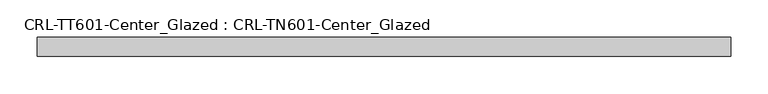
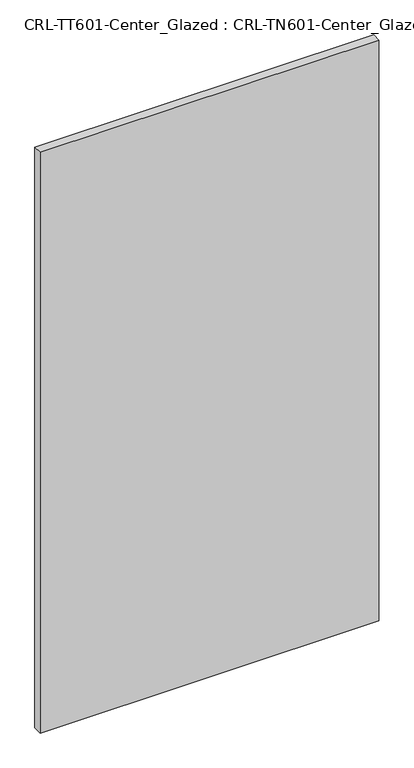
"""IFC4 building model written with IfcOpenShell, lengths in millimetres: plate geometry, CRL-TT601-Center_Glazed : CRL-TN601-Center_Glazed."""

from ifc_helpers import new_model, si_unit, origin, origin_with_axes, place, context, project, spatial, polyline, outline, extrude, source, transform, mapped, element, save


def crl_tt601_center_glazed_crl_tn601_center_glazed_176fbddd(model_context):
    return source(origin(), model_context, "Body", "SweptSolid", [
        extrude(outline(polyline([(-463.55, -12.7254), (-463.55, 12.6746), (463.55, 12.6746), (463.55, -12.7254), (-463.55, -12.7254)])), origin_with_axes(), (0.0, 0.0, 1.0), 1680.6127438),
    ])


if __name__ == "__main__":
    model = new_model("IFC4")
    model_context = context("Model", 3, world=origin())
    ifc_project = project(units=[si_unit("LENGTHUNIT", "METRE", prefix="MILLI")], contexts=[model_context])
    site = spatial("IfcSite", under=ifc_project)
    building = spatial("IfcBuilding", under=site)
    placement = place(None, origin())
    crl_tt601_center_glazed_crl_tn601_center_glazed_shape = crl_tt601_center_glazed_crl_tn601_center_glazed_176fbddd(model_context)
    element("IfcPlate", 1, ObjectType="CRL-TT601-Center_Glazed : CRL-TN601-Center_Glazed", at=placement, inside=building, context=model_context, shape_type="MappedRepresentation", body=[
        mapped(crl_tt601_center_glazed_crl_tn601_center_glazed_shape, transform((0.0, 0.0, 0.0), x_axis=(1.0, 0.0, 0.0), y_axis=(0.0, 1.0, 0.0), z_axis=(0.0, 0.0, 1.0))),
    ])
    save(model, "model.ifc")
